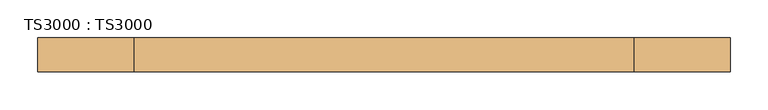
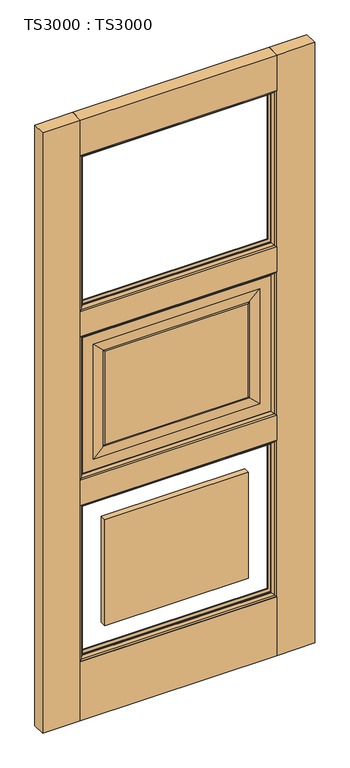
"""IFC4 building model written with IfcOpenShell, lengths in millimetres: door geometry, TS3000 : TS3000."""

from ifc_helpers import new_model, si_unit, frame, origin, origin_with_axes, place, context, project, spatial, polyline, ellipse_curve, outline, extrude, source, transform, mapped, element, save
from ifc_brep_helpers import plane_surface, revolved_surface, advanced_brep


def ts3000_ts3000_f5337b0c(model_context):
    return source(origin(), model_context, "Body", "SolidModel", [
        advanced_brep(
        [(787.4, 12.7, 1363.1333333), (787.4, 12.7, 853.0166667), (787.4, 31.75, 853.0166667), (787.4, 31.75, 1363.1333333), (127.0, 31.75, 853.0166667), (127.0, 31.75, 1363.1333333), (736.6, 31.75, 903.8166667), (736.6, 31.75, 1312.3333333), (177.8, 31.75, 1312.3333333), (177.8, 31.75, 903.8166667), (127.0, 12.7, 853.0166667), (127.0, 12.7, 1363.1333333), (736.6, 12.7, 1312.3333333), (736.6, 12.7, 903.8166667), (177.8, 12.7, 903.8166667), (177.8, 12.7, 1312.3333333), (698.5, 33.3375, 1274.2333333), (698.5, 33.3375, 941.9166667), (698.5, 11.1125, 941.9166667), (698.5, 11.1125, 1274.2333333), (703.2625, 13.49375, 937.1541667), (703.2625, 13.49375, 1278.9958333), (215.9, 33.3375, 941.9166667), (215.9, 11.1125, 941.9166667), (703.2625, 30.95625, 1278.9958333), (703.2625, 30.95625, 937.1541667), (211.1375, 13.49375, 937.1541667), (215.9, 33.3375, 1274.2333333), (215.9, 11.1125, 1274.2333333), (211.1375, 30.95625, 937.1541667), (211.1375, 13.49375, 1278.9958333), (211.1375, 30.95625, 1278.9958333)],
        [
            (0, 1),
            (1, 2),
            (2, 3),
            (3, 0),
            (2, 4),
            (4, 5),
            (5, 3),
            (6, 7),
            (7, 8),
            (8, 9),
            (9, 6),
            (1, 10),
            (10, 4),
            (0, 11),
            (11, 10),
            (12, 13),
            (13, 14),
            (14, 15),
            (15, 12),
            (16, 17),
            (17, 18),
            (18, 19),
            (19, 16),
            (18, 20, ellipse_curve(frame((703.7585938, 6.5484375, 936.6580729), z_axis=(-0.7071067811865475, 0.0, -0.7071067811865475), x_axis=(0.7071067811865474, 0.0, -0.7071067811865476)), 9.8471798, 6.9630076)),
            (20, 21),
            (21, 19, ellipse_curve(frame((703.7585938, 6.5484375, 1279.4919271), z_axis=(-0.7071067811865475, 0.0, 0.7071067811865475), x_axis=(-0.7071067811865474, 0.0, -0.7071067811865476)), 9.8471798, 6.9630076)),
            (17, 22),
            (22, 23),
            (23, 18),
            (24, 25),
            (25, 17, ellipse_curve(frame((703.7585938, 37.9015625, 936.6580729), z_axis=(-0.7071067811865475, 0.0, -0.7071067811865475), x_axis=(0.7071067811865474, 0.0, -0.7071067811865476)), 9.8471798, 6.9630076)),
            (16, 24, ellipse_curve(frame((703.7585938, 37.9015625, 1279.4919271), z_axis=(-0.7071067811865475, 0.0, 0.7071067811865475), x_axis=(-0.7071067811865474, 0.0, -0.7071067811865476)), 9.8471798, 6.9630076)),
            (11, 5),
            (23, 26, ellipse_curve(frame((210.6414063, 6.5484375, 936.6580729), z_axis=(-0.7071067811865475, 0.0, 0.7071067811865475), x_axis=(-0.7071067811865476, 0.0, -0.7071067811865474)), 9.8471798, 6.9630076)),
            (26, 20),
            (22, 27),
            (27, 28),
            (28, 23),
            (25, 29),
            (29, 22, ellipse_curve(frame((210.6414063, 37.9015625, 936.6580729), z_axis=(-0.7071067811865475, 0.0, 0.7071067811865475), x_axis=(-0.7071067811865476, 0.0, -0.7071067811865474)), 9.8471798, 6.9630076)),
            (28, 30, ellipse_curve(frame((210.6414063, 6.5484375, 1279.4919271), z_axis=(0.7071067811865475, 0.0, 0.7071067811865475), x_axis=(-0.7071067811865474, 0.0, 0.7071067811865476)), 9.8471798, 6.9630076)),
            (30, 26),
            (29, 31),
            (31, 27, ellipse_curve(frame((210.6414063, 37.9015625, 1279.4919271), z_axis=(0.7071067811865475, 0.0, 0.7071067811865475), x_axis=(-0.7071067811865474, 0.0, 0.7071067811865476)), 9.8471798, 6.9630076)),
            (9, 29),
            (25, 6),
            (8, 31),
            (24, 7),
            (30, 15),
            (14, 26),
            (13, 20),
            (12, 21),
            (27, 16),
            (19, 28),
            (24, 31),
            (30, 21),
        ],
        [
            plane_surface(frame((787.4, 31.75, 1363.1333333), z_axis=(1.0, 0.0, 0.0), x_axis=(0.0, 0.0, -1.0))),
            plane_surface(frame((177.8, 31.75, 1312.3333333), z_axis=(0.0, 1.0, 0.0), x_axis=(1.0, 0.0, 0.0))),
            plane_surface(frame((787.4, 31.75, 853.0166667), z_axis=(0.0, 0.0, -1.0), x_axis=(-1.0, 0.0, 0.0))),
            plane_surface(frame((127.0, 12.7, 1363.1333333), z_axis=(0.0, -1.0, 0.0), x_axis=(1.0, 0.0, 0.0))),
            plane_surface(frame((698.5, 11.1125, 1274.2333333), z_axis=(-1.0, 0.0, 0.0), x_axis=(0.0, 0.0, -1.0))),
            revolved_surface(polyline([(696.7955862, 6.5484375, 929.6950652878568), (696.7955862, 6.5484375, 1286.4549347121433)]), (703.7585938, 6.5484375, 1274.2333333), (0.0, 0.0, -1.0)),
            plane_surface(frame((698.5, 11.1125, 941.9166667), z_axis=(0.0, 0.0, 1.0), x_axis=(-1.0, 0.0, 0.0))),
            revolved_surface(polyline([(696.7955862, 37.9015625, 929.6950652878568), (696.7955862, 37.9015625, 1286.4549347121433)]), (703.7585938, 37.9015625, 1274.2333333), (0.0, 0.0, -1.0)),
            plane_surface(frame((127.0, 31.75, 853.0166667), z_axis=(-1.0, 0.0, 0.0), x_axis=(0.0, 0.0, 1.0))),
            revolved_surface(polyline([(203.67839868785677, 6.5484375, 943.6210805), (710.7216014121432, 6.5484375, 943.6210805)]), (698.5, 6.5484375, 936.6580729), (-1.0, 0.0, 0.0)),
            plane_surface(frame((215.9, 11.1125, 941.9166667), z_axis=(1.0, 0.0, 0.0), x_axis=(0.0, 0.0, 1.0))),
            revolved_surface(polyline([(203.67839868785677, 37.9015625, 943.6210805), (710.7216014121432, 37.9015625, 943.6210805)]), (698.5, 37.9015625, 936.6580729), (-1.0, 0.0, 0.0)),
            revolved_surface(polyline([(217.6044139, 6.5484375, 1286.4549347121433), (217.6044139, 6.5484375, 929.6950652878568)]), (210.6414063, 6.5484375, 941.9166667), (0.0, 0.0, 1.0)),
            revolved_surface(polyline([(217.6044139, 37.9015625, 1286.4549347121433), (217.6044139, 37.9015625, 929.6950652878568)]), (210.6414063, 37.9015625, 941.9166667), (0.0, 0.0, 1.0)),
            plane_surface(frame((703.2625, 30.95625, 937.1541667), z_axis=(0.0, 0.9997166737441345, 0.023802777946362628), x_axis=(-1.0, 0.0, 0.0))),
            plane_surface(frame((211.1375, 30.95625, 937.1541667), z_axis=(0.023802777946359394, 0.9997166737441346, 0.0), x_axis=(0.0, 0.0, 1.0))),
            plane_surface(frame((703.2625, 30.95625, 1278.9958333), z_axis=(-0.02380277794636586, 0.9997166737441344, 0.0), x_axis=(0.0, 0.0, -1.0))),
            plane_surface(frame((177.8, 12.7, 903.8166667), z_axis=(0.023802777946303297, -0.9997166737441359, 0.0), x_axis=(0.0, 0.0, 1.0))),
            plane_surface(frame((736.6, 12.7, 903.8166667), z_axis=(0.0, -0.999716673744136, 0.023802777946300063), x_axis=(-1.0, 0.0, 0.0))),
            plane_surface(frame((736.6, 12.7, 1312.3333333), z_axis=(-0.02380277794629683, -0.9997166737441361, 0.0), x_axis=(0.0, 0.0, -1.0))),
            plane_surface(frame((127.0, 31.75, 1363.1333333), z_axis=(0.0, 0.0, 1.0), x_axis=(1.0, 0.0, 0.0))),
            plane_surface(frame((215.9, 11.1125, 1274.2333333), z_axis=(0.0, 0.0, -1.0), x_axis=(1.0, 0.0, 0.0))),
            plane_surface(frame((211.1375, 30.95625, 1278.9958333), z_axis=(0.0, 0.9997166737441345, -0.023802777946362628), x_axis=(1.0, 0.0, 0.0))),
            plane_surface(frame((177.8, 12.7, 1312.3333333), z_axis=(0.0, -0.999716673744136, -0.023802777946300063), x_axis=(1.0, 0.0, 0.0))),
            revolved_surface(polyline([(710.7216014121432, 6.5484375, 1272.5289195), (203.6783986878568, 6.5484375, 1272.5289195)]), (215.9, 6.5484375, 1279.4919271), (1.0, 0.0, 0.0)),
            revolved_surface(polyline([(710.7216014121432, 37.9015625, 1272.5289195), (203.6783986878568, 37.9015625, 1272.5289195)]), (215.9, 37.9015625, 1279.4919271), (1.0, 0.0, 0.0)),
        ],
        [
            (0, [[1, 2, 3, 4]]),
            (1, [[-3, 5, 6, 7], [8, 9, 10, 11]]),
            (2, [[12, 13, -5, -2]]),
            (3, [[-1, 14, 15, -12], [16, 17, 18, 19]]),
            (4, [[20, 21, 22, 23]]),
            (5, [[-22, 24, 25, 26]]),
            (6, [[27, 28, 29, -21]]),
            (7, [[30, 31, -20, 32]]),
            (8, [[-15, 33, -6, -13]]),
            (9, [[-29, 34, 35, -24]]),
            (10, [[36, 37, 38, -28]]),
            (11, [[39, 40, -27, -31]]),
            (12, [[-38, 41, 42, -34]]),
            (13, [[43, 44, -36, -40]]),
            (14, [[-11, 45, -39, 46]]),
            (15, [[-10, 47, -43, -45]]),
            (16, [[-8, -46, -30, 48]]),
            (17, [[-42, 49, -18, 50]]),
            (18, [[-35, -50, -17, 51]]),
            (19, [[-25, -51, -16, 52]]),
            (20, [[-14, -4, -7, -33]]),
            (21, [[53, -23, 54, -37]]),
            (22, [[-9, -48, 55, -47]]),
            (23, [[56, -52, -19, -49]]),
            (24, [[-54, -26, -56, -41]]),
            (25, [[-55, -32, -53, -44]]),
        ],
    ),
        extrude(outline(polyline([(787.4, 44.45), (787.4, 0.0), (127.0, 0.0), (127.0, 44.45), (787.4, 44.45)])), origin_with_axes(), (0.0, 0.0, 1.0), 209.55),
        extrude(outline(polyline([(787.4, 44.45), (787.4, 0.0), (127.0, 0.0), (127.0, 44.45), (787.4, 44.45)])), frame((0.0, 0.0, 764.1166667), z_axis=(0.0, 0.0, 1.0), x_axis=(1.0, 0.0, 0.0)), (0.0, 0.0, 1.0), 88.9),
        extrude(outline(polyline([(787.4, 44.45), (787.4, 0.0), (127.0, 0.0), (127.0, 44.45), (787.4, 44.45)])), frame((0.0, 0.0, 2006.6), z_axis=(0.0, 0.0, 1.0), x_axis=(1.0, 0.0, 0.0)), (0.0, 0.0, 1.0), 127.0),
        extrude(outline(polyline([(787.4, 44.45), (787.4, 0.0), (127.0, 0.0), (127.0, 44.45), (787.4, 44.45)])), frame((0.0, 0.0, 1363.1333333), z_axis=(0.0, 0.0, 1.0), x_axis=(1.0, 0.0, 0.0)), (0.0, 0.0, 1.0), 88.9),
        extrude(outline(polyline([(215.9, 11.1125), (215.9, 33.3375), (698.5, 33.3375), (698.5, 11.1125), (215.9, 11.1125)])), frame((0.0, 0.0, 941.9166667), z_axis=(0.0, 0.0, 1.0), x_axis=(1.0, 0.0, 0.0)), (0.0, 0.0, 1.0), 332.3166667),
        extrude(outline(polyline([(215.9, 11.1125), (215.9, 33.3375), (698.5, 33.3375), (698.5, 11.1125), (215.9, 11.1125)])), frame((0.0, 0.0, 298.45), z_axis=(0.0, 0.0, 1.0), x_axis=(1.0, 0.0, 0.0)), (0.0, 0.0, 1.0), 376.7666667),
        extrude(outline(polyline([(127.0, 44.45), (127.0, 0.0), (0.0, 0.0), (0.0, 44.45), (127.0, 44.45)])), origin_with_axes(), (0.0, 0.0, 1.0), 2133.6),
        extrude(outline(polyline([(914.4, 44.45), (914.4, 0.0), (787.4, 0.0), (787.4, 44.45), (914.4, 44.45)])), origin_with_axes(), (0.0, 0.0, 1.0), 2133.6),
        advanced_brep(
        [(787.4, 31.75, 764.1166667), (787.4, 31.75, 209.55), (787.4, 44.4610047, 209.55), (787.4, 44.4610047, 764.1166667), (774.6912454, 34.925, 751.407912), (774.6912454, 34.925, 222.2587546), (774.6912454, 31.75, 222.2587546), (774.6912454, 31.75, 751.407912), (782.5328423, 41.275, 759.249509), (782.5328423, 41.275, 214.4171577), (127.0, 31.75, 209.55), (127.0, 44.4610047, 209.55), (139.7087546, 34.925, 222.2587546), (139.7087546, 31.75, 222.2587546), (131.8671577, 41.275, 214.4171577), (127.0, 31.75, 764.1166667), (127.0, 44.4610047, 764.1166667), (139.7087546, 34.925, 751.407912), (139.7087546, 31.75, 751.407912), (131.8671577, 41.275, 759.249509)],
        [
            (0, 1),
            (1, 2),
            (2, 3),
            (3, 0),
            (4, 5),
            (5, 6),
            (6, 7),
            (7, 4),
            (8, 9),
            (9, 5, ellipse_curve(frame((770.549739, 48.0561173, 226.400261), z_axis=(-0.7071067811865475, 0.0, -0.7071067811865475), x_axis=(0.7071067811865474, 0.0, -0.7071067811865476)), 19.4719447, 13.7687442)),
            (4, 8, ellipse_curve(frame((770.549739, 48.0561173, 747.2664057), z_axis=(-0.7071067811865475, 0.0, 0.7071067811865475), x_axis=(-0.7071067811865474, 0.0, -0.7071067811865476)), 19.4719447, 13.7687442)),
            (2, 9, ellipse_curve(frame((779.4613821, 51.2778746, 217.4886179), z_axis=(-0.7071067811865475, 0.0, -0.7071067811865475), x_axis=(0.7071067811865474, 0.0, -0.7071067811865476)), 14.7980653, 10.4638123)),
            (8, 3, ellipse_curve(frame((779.4613821, 51.2778746, 756.1780488), z_axis=(-0.7071067811865475, 0.0, 0.7071067811865475), x_axis=(-0.7071067811865474, 0.0, -0.7071067811865476)), 14.7980653, 10.4638123)),
            (1, 10),
            (10, 11),
            (11, 2),
            (5, 12),
            (12, 13),
            (13, 6),
            (9, 14),
            (14, 12, ellipse_curve(frame((143.850261, 48.0561173, 226.400261), z_axis=(-0.7071067811865475, 0.0, 0.7071067811865475), x_axis=(-0.7071067811865476, 0.0, -0.7071067811865474)), 19.4719447, 13.7687442)),
            (11, 14, ellipse_curve(frame((134.9386179, 51.2778746, 217.4886179), z_axis=(-0.7071067811865475, 0.0, 0.7071067811865475), x_axis=(-0.7071067811865476, 0.0, -0.7071067811865474)), 14.7980653, 10.4638123)),
            (10, 15),
            (15, 16),
            (16, 11),
            (12, 17),
            (17, 18),
            (18, 13),
            (14, 19),
            (19, 17, ellipse_curve(frame((143.850261, 48.0561173, 747.2664057), z_axis=(0.7071067811865475, 0.0, 0.7071067811865475), x_axis=(-0.7071067811865474, 0.0, 0.7071067811865476)), 19.4719447, 13.7687442)),
            (16, 19, ellipse_curve(frame((134.9386179, 51.2778746, 756.1780488), z_axis=(0.7071067811865475, 0.0, 0.7071067811865475), x_axis=(-0.7071067811865474, 0.0, 0.7071067811865476)), 14.7980653, 10.4638123)),
            (15, 0),
            (3, 16),
            (18, 7),
            (17, 4),
            (19, 8),
        ],
        [
            plane_surface(frame((787.4, 44.4610047, 764.1166667), z_axis=(1.0, 0.0, 0.0), x_axis=(0.0, 0.0, -1.0))),
            plane_surface(frame((774.6912454, 31.75, 751.407912), z_axis=(-1.0, 0.0, 0.0), x_axis=(0.0, 0.0, -1.0))),
            revolved_surface(polyline([(756.7809948, 48.0561173, 212.6315168597406), (756.7809948, 48.0561173, 761.0351498402594)]), (770.549739, 48.0561173, 764.1166667), (0.0, 0.0, -1.0)),
            revolved_surface(polyline([(768.9975698000001, 51.2778746, 207.02480557792865), (768.9975698000001, 51.2778746, 766.6418611220714)]), (779.4613821, 51.2778746, 764.1166667), (0.0, 0.0, -1.0)),
            plane_surface(frame((787.4, 44.4610047, 209.55), z_axis=(0.0, 0.0, -1.0), x_axis=(-1.0, 0.0, 0.0))),
            plane_surface(frame((774.6912454, 31.75, 222.2587546), z_axis=(0.0, 0.0, 1.0), x_axis=(-1.0, 0.0, 0.0))),
            revolved_surface(polyline([(130.08151685974053, 48.0561173, 240.16900520000002), (784.3184831402594, 48.0561173, 240.16900520000002)]), (787.4, 48.0561173, 226.400261), (-1.0, 0.0, 0.0)),
            revolved_surface(polyline([(124.47480557792858, 51.2778746, 227.9524302), (789.9251944220714, 51.2778746, 227.9524302)]), (787.4, 51.2778746, 217.4886179), (-1.0, 0.0, 0.0)),
            plane_surface(frame((127.0, 44.4610047, 209.55), z_axis=(-1.0, 0.0, 0.0), x_axis=(0.0, 0.0, 1.0))),
            plane_surface(frame((139.7087546, 31.75, 222.2587546), z_axis=(1.0, 0.0, 0.0), x_axis=(0.0, 0.0, 1.0))),
            revolved_surface(polyline([(157.6190052, 48.0561173, 761.0351498402595), (157.6190052, 48.0561173, 212.63151685974054)]), (143.850261, 48.0561173, 209.55), (0.0, 0.0, 1.0)),
            revolved_surface(polyline([(145.4024302, 51.2778746, 766.6418611220713), (145.4024302, 51.2778746, 207.02480557792867)]), (134.9386179, 51.2778746, 209.55), (0.0, 0.0, 1.0)),
            plane_surface(frame((127.0, 44.4610047, 764.1166667), z_axis=(0.0, 0.0, 1.0), x_axis=(1.0, 0.0, 0.0))),
            plane_surface(frame((127.0, 31.75, 764.1166667), z_axis=(0.0, -1.0, 0.0), x_axis=(1.0, 0.0, 0.0))),
            plane_surface(frame((139.7087546, 31.75, 751.407912), z_axis=(0.0, 0.0, -1.0), x_axis=(1.0, 0.0, 0.0))),
            revolved_surface(polyline([(784.3184831402594, 48.0561173, 733.4976614999999), (130.08151685974053, 48.0561173, 733.4976614999999)]), (127.0, 48.0561173, 747.2664057), (1.0, 0.0, 0.0)),
            revolved_surface(polyline([(789.9251944220714, 51.2778746, 745.7142365000001), (124.47480557792866, 51.2778746, 745.7142365000001)]), (127.0, 51.2778746, 756.1780488), (1.0, 0.0, 0.0)),
        ],
        [
            (0, [[1, 2, 3, 4]]),
            (1, [[5, 6, 7, 8]]),
            (2, [[9, 10, -5, 11]]),
            (3, [[-3, 12, -9, 13]]),
            (4, [[14, 15, 16, -2]]),
            (5, [[17, 18, 19, -6]]),
            (6, [[20, 21, -17, -10]]),
            (7, [[-16, 22, -20, -12]]),
            (8, [[23, 24, 25, -15]]),
            (9, [[26, 27, 28, -18]]),
            (10, [[29, 30, -26, -21]]),
            (11, [[-25, 31, -29, -22]]),
            (12, [[32, -4, 33, -24]]),
            (13, [[-1, -32, -23, -14], [-7, -19, -28, 34]]),
            (14, [[35, -8, -34, -27]]),
            (15, [[36, -11, -35, -30]]),
            (16, [[-33, -13, -36, -31]]),
        ],
    ),
        advanced_brep(
        [(782.5328423, 3.175, 759.249509), (782.5328423, 3.175, 214.4171577), (787.4, -0.0110047, 209.55), (787.4, -0.0110047, 764.1166667), (774.6912454, 9.525, 751.407912), (774.6912454, 9.525, 222.2587546), (774.6912454, 12.7, 751.407912), (774.6912454, 12.7, 222.2587546), (787.4, 12.7, 209.55), (787.4, 12.7, 764.1166667), (131.8671577, 3.175, 214.4171577), (127.0, -0.0110047, 209.55), (139.7087546, 9.525, 222.2587546), (139.7087546, 12.7, 222.2587546), (127.0, 12.7, 209.55), (131.8671577, 3.175, 759.249509), (127.0, -0.0110047, 764.1166667), (139.7087546, 9.525, 751.407912), (139.7087546, 12.7, 751.407912), (127.0, 12.7, 764.1166667)],
        [
            (0, 1),
            (1, 2, ellipse_curve(frame((779.4613821, -6.8278746, 217.4886179), z_axis=(-0.7071067811865475, 0.0, -0.7071067811865475), x_axis=(0.7071067811865474, 0.0, -0.7071067811865476)), 14.7980653, 10.4638123)),
            (2, 3),
            (3, 0, ellipse_curve(frame((779.4613821, -6.8278746, 756.1780488), z_axis=(-0.7071067811865475, 0.0, 0.7071067811865475), x_axis=(-0.7071067811865474, 0.0, -0.7071067811865476)), 14.7980653, 10.4638123)),
            (4, 5),
            (5, 1, ellipse_curve(frame((770.549739, -3.6061173, 226.400261), z_axis=(-0.7071067811865475, 0.0, -0.7071067811865475), x_axis=(0.7071067811865474, 0.0, -0.7071067811865476)), 19.4719447, 13.7687442)),
            (0, 4, ellipse_curve(frame((770.549739, -3.6061173, 747.2664057), z_axis=(-0.7071067811865475, 0.0, 0.7071067811865475), x_axis=(-0.7071067811865474, 0.0, -0.7071067811865476)), 19.4719447, 13.7687442)),
            (6, 7),
            (7, 5),
            (4, 6),
            (2, 8),
            (8, 9),
            (9, 3),
            (1, 10),
            (10, 11, ellipse_curve(frame((134.9386179, -6.8278746, 217.4886179), z_axis=(-0.7071067811865475, 0.0, 0.7071067811865475), x_axis=(-0.7071067811865476, 0.0, -0.7071067811865474)), 14.7980653, 10.4638123)),
            (11, 2),
            (5, 12),
            (12, 10, ellipse_curve(frame((143.850261, -3.6061173, 226.400261), z_axis=(-0.7071067811865475, 0.0, 0.7071067811865475), x_axis=(-0.7071067811865476, 0.0, -0.7071067811865474)), 19.4719447, 13.7687442)),
            (7, 13),
            (13, 12),
            (11, 14),
            (14, 8),
            (10, 15),
            (15, 16, ellipse_curve(frame((134.9386179, -6.8278746, 756.1780488), z_axis=(0.7071067811865475, 0.0, 0.7071067811865475), x_axis=(-0.7071067811865474, 0.0, 0.7071067811865476)), 14.7980653, 10.4638123)),
            (16, 11),
            (12, 17),
            (17, 15, ellipse_curve(frame((143.850261, -3.6061173, 747.2664057), z_axis=(0.7071067811865475, 0.0, 0.7071067811865475), x_axis=(-0.7071067811865474, 0.0, 0.7071067811865476)), 19.4719447, 13.7687442)),
            (13, 18),
            (18, 17),
            (16, 19),
            (19, 14),
            (15, 0),
            (3, 16),
            (17, 4),
            (18, 6),
            (19, 9),
        ],
        [
            revolved_surface(polyline([(768.9975698000001, -6.8278746, 207.02480557792865), (768.9975698000001, -6.8278746, 766.6418611220714)]), (779.4613821, -6.8278746, 764.1166667), (0.0, 0.0, -1.0)),
            revolved_surface(polyline([(756.7809948, -3.6061173, 212.6315168597406), (756.7809948, -3.6061173, 761.0351498402594)]), (770.549739, -3.6061173, 764.1166667), (0.0, 0.0, -1.0)),
            plane_surface(frame((774.6912454, 9.525, 751.407912), z_axis=(-1.0, 0.0, 0.0), x_axis=(0.0, 0.0, -1.0))),
            plane_surface(frame((787.4, 12.7, 764.1166667), z_axis=(1.0, 0.0, 0.0), x_axis=(0.0, 0.0, -1.0))),
            revolved_surface(polyline([(124.47480557792858, -6.8278746, 227.9524302), (789.9251944220714, -6.8278746, 227.9524302)]), (787.4, -6.8278746, 217.4886179), (-1.0, 0.0, 0.0)),
            revolved_surface(polyline([(130.08151685974053, -3.6061173, 240.16900520000002), (784.3184831402594, -3.6061173, 240.16900520000002)]), (787.4, -3.6061173, 226.400261), (-1.0, 0.0, 0.0)),
            plane_surface(frame((774.6912454, 9.525, 222.2587546), z_axis=(0.0, 0.0, 1.0), x_axis=(-1.0, 0.0, 0.0))),
            plane_surface(frame((787.4, 12.7, 209.55), z_axis=(0.0, 0.0, -1.0), x_axis=(-1.0, 0.0, 0.0))),
            revolved_surface(polyline([(145.4024302, -6.8278746, 766.6418611220713), (145.4024302, -6.8278746, 207.02480557792867)]), (134.9386179, -6.8278746, 209.55), (0.0, 0.0, 1.0)),
            revolved_surface(polyline([(157.6190052, -3.6061173, 761.0351498402595), (157.6190052, -3.6061173, 212.63151685974054)]), (143.850261, -3.6061173, 209.55), (0.0, 0.0, 1.0)),
            plane_surface(frame((139.7087546, 9.525, 222.2587546), z_axis=(1.0, 0.0, 0.0), x_axis=(0.0, 0.0, 1.0))),
            plane_surface(frame((127.0, 12.7, 209.55), z_axis=(-1.0, 0.0, 0.0), x_axis=(0.0, 0.0, 1.0))),
            revolved_surface(polyline([(789.9251944220714, -6.8278746, 745.7142365000001), (124.47480557792866, -6.8278746, 745.7142365000001)]), (127.0, -6.8278746, 756.1780488), (1.0, 0.0, 0.0)),
            revolved_surface(polyline([(784.3184831402594, -3.6061173, 733.4976614999999), (130.08151685974053, -3.6061173, 733.4976614999999)]), (127.0, -3.6061173, 747.2664057), (1.0, 0.0, 0.0)),
            plane_surface(frame((139.7087546, 9.525, 751.407912), z_axis=(0.0, 0.0, -1.0), x_axis=(1.0, 0.0, 0.0))),
            plane_surface(frame((139.7087546, 12.7, 751.407912), z_axis=(0.0, 1.0, 0.0), x_axis=(1.0, 0.0, 0.0))),
            plane_surface(frame((127.0, 12.7, 764.1166667), z_axis=(0.0, 0.0, 1.0), x_axis=(1.0, 0.0, 0.0))),
        ],
        [
            (0, [[1, 2, 3, 4]]),
            (1, [[5, 6, -1, 7]]),
            (2, [[8, 9, -5, 10]]),
            (3, [[-3, 11, 12, 13]]),
            (4, [[14, 15, 16, -2]]),
            (5, [[17, 18, -14, -6]]),
            (6, [[19, 20, -17, -9]]),
            (7, [[-16, 21, 22, -11]]),
            (8, [[23, 24, 25, -15]]),
            (9, [[26, 27, -23, -18]]),
            (10, [[28, 29, -26, -20]]),
            (11, [[-25, 30, 31, -21]]),
            (12, [[32, -4, 33, -24]]),
            (13, [[34, -7, -32, -27]]),
            (14, [[35, -10, -34, -29]]),
            (15, [[-12, -22, -31, 36], [-8, -35, -28, -19]]),
            (16, [[-33, -13, -36, -30]]),
        ],
    ),
        advanced_brep(
        [(787.4, 31.75, 1363.1333333), (787.4, 31.75, 853.0166667), (787.4, 44.4610047, 853.0166667), (787.4, 44.4610047, 1363.1333333), (774.6912454, 34.925, 1350.4245787), (774.6912454, 34.925, 865.7254213), (774.6912454, 31.75, 865.7254213), (774.6912454, 31.75, 1350.4245787), (782.5328423, 41.275, 1358.2661757), (782.5328423, 41.275, 857.8838243), (127.0, 31.75, 853.0166667), (127.0, 44.4610047, 853.0166667), (139.7087546, 34.925, 865.7254213), (139.7087546, 31.75, 865.7254213), (131.8671577, 41.275, 857.8838243), (127.0, 31.75, 1363.1333333), (127.0, 44.4610047, 1363.1333333), (139.7087546, 34.925, 1350.4245787), (139.7087546, 31.75, 1350.4245787), (131.8671577, 41.275, 1358.2661757)],
        [
            (0, 1),
            (1, 2),
            (2, 3),
            (3, 0),
            (4, 5),
            (5, 6),
            (6, 7),
            (7, 4),
            (8, 9),
            (9, 5, ellipse_curve(frame((770.549739, 48.0561173, 869.8669276), z_axis=(-0.7071067811865475, 0.0, -0.7071067811865475), x_axis=(0.7071067811865474, 0.0, -0.7071067811865476)), 19.4719447, 13.7687442)),
            (4, 8, ellipse_curve(frame((770.549739, 48.0561173, 1346.2830724), z_axis=(-0.7071067811865475, 0.0, 0.7071067811865475), x_axis=(-0.7071067811865474, 0.0, -0.7071067811865476)), 19.4719447, 13.7687442)),
            (2, 9, ellipse_curve(frame((779.4613821, 51.2778746, 860.9552845), z_axis=(-0.7071067811865475, 0.0, -0.7071067811865475), x_axis=(0.7071067811865474, 0.0, -0.7071067811865476)), 14.7980653, 10.4638123)),
            (8, 3, ellipse_curve(frame((779.4613821, 51.2778746, 1355.1947155), z_axis=(-0.7071067811865475, 0.0, 0.7071067811865475), x_axis=(-0.7071067811865474, 0.0, -0.7071067811865476)), 14.7980653, 10.4638123)),
            (1, 10),
            (10, 11),
            (11, 2),
            (5, 12),
            (12, 13),
            (13, 6),
            (9, 14),
            (14, 12, ellipse_curve(frame((143.850261, 48.0561173, 869.8669276), z_axis=(-0.7071067811865475, 0.0, 0.7071067811865475), x_axis=(-0.7071067811865476, 0.0, -0.7071067811865474)), 19.4719447, 13.7687442)),
            (11, 14, ellipse_curve(frame((134.9386179, 51.2778746, 860.9552845), z_axis=(-0.7071067811865475, 0.0, 0.7071067811865475), x_axis=(-0.7071067811865476, 0.0, -0.7071067811865474)), 14.7980653, 10.4638123)),
            (10, 15),
            (15, 16),
            (16, 11),
            (12, 17),
            (17, 18),
            (18, 13),
            (14, 19),
            (19, 17, ellipse_curve(frame((143.850261, 48.0561173, 1346.2830724), z_axis=(0.7071067811865475, 0.0, 0.7071067811865475), x_axis=(-0.7071067811865474, 0.0, 0.7071067811865476)), 19.4719447, 13.7687442)),
            (16, 19, ellipse_curve(frame((134.9386179, 51.2778746, 1355.1947155), z_axis=(0.7071067811865475, 0.0, 0.7071067811865475), x_axis=(-0.7071067811865474, 0.0, 0.7071067811865476)), 14.7980653, 10.4638123)),
            (15, 0),
            (3, 16),
            (18, 7),
            (17, 4),
            (19, 8),
        ],
        [
            plane_surface(frame((787.4, 44.4610047, 1363.1333333), z_axis=(1.0, 0.0, 0.0), x_axis=(0.0, 0.0, -1.0))),
            plane_surface(frame((774.6912454, 31.75, 1350.4245787), z_axis=(-1.0, 0.0, 0.0), x_axis=(0.0, 0.0, -1.0))),
            revolved_surface(polyline([(756.7809948, 48.0561173, 856.0981834597405), (756.7809948, 48.0561173, 1360.0518165402596)]), (770.549739, 48.0561173, 1363.1333333), (0.0, 0.0, -1.0)),
            revolved_surface(polyline([(768.9975698000001, 51.2778746, 850.4914721779286), (768.9975698000001, 51.2778746, 1365.6585278220714)]), (779.4613821, 51.2778746, 1363.1333333), (0.0, 0.0, -1.0)),
            plane_surface(frame((787.4, 44.4610047, 853.0166667), z_axis=(0.0, 0.0, -1.0), x_axis=(-1.0, 0.0, 0.0))),
            plane_surface(frame((774.6912454, 31.75, 865.7254213), z_axis=(0.0, 0.0, 1.0), x_axis=(-1.0, 0.0, 0.0))),
            revolved_surface(polyline([(130.08151685974053, 48.0561173, 883.6356718000001), (784.3184831402594, 48.0561173, 883.6356718000001)]), (787.4, 48.0561173, 869.8669276), (-1.0, 0.0, 0.0)),
            revolved_surface(polyline([(124.47480557792858, 51.2778746, 871.4190967999999), (789.9251944220714, 51.2778746, 871.4190967999999)]), (787.4, 51.2778746, 860.9552845), (-1.0, 0.0, 0.0)),
            plane_surface(frame((127.0, 44.4610047, 853.0166667), z_axis=(-1.0, 0.0, 0.0), x_axis=(0.0, 0.0, 1.0))),
            plane_surface(frame((139.7087546, 31.75, 865.7254213), z_axis=(1.0, 0.0, 0.0), x_axis=(0.0, 0.0, 1.0))),
            revolved_surface(polyline([(157.6190052, 48.0561173, 1360.0518165402596), (157.6190052, 48.0561173, 856.0981834597407)]), (143.850261, 48.0561173, 853.0166667), (0.0, 0.0, 1.0)),
            revolved_surface(polyline([(145.4024302, 51.2778746, 1365.6585278220714), (145.4024302, 51.2778746, 850.4914721779286)]), (134.9386179, 51.2778746, 853.0166667), (0.0, 0.0, 1.0)),
            plane_surface(frame((127.0, 44.4610047, 1363.1333333), z_axis=(0.0, 0.0, 1.0), x_axis=(1.0, 0.0, 0.0))),
            plane_surface(frame((127.0, 31.75, 1363.1333333), z_axis=(0.0, -1.0, 0.0), x_axis=(1.0, 0.0, 0.0))),
            plane_surface(frame((139.7087546, 31.75, 1350.4245787), z_axis=(0.0, 0.0, -1.0), x_axis=(1.0, 0.0, 0.0))),
            revolved_surface(polyline([(784.3184831402594, 48.0561173, 1332.5143282000001), (130.08151685974053, 48.0561173, 1332.5143282000001)]), (127.0, 48.0561173, 1346.2830724), (1.0, 0.0, 0.0)),
            revolved_surface(polyline([(789.9251944220714, 51.2778746, 1344.7309032), (124.47480557792866, 51.2778746, 1344.7309032)]), (127.0, 51.2778746, 1355.1947155), (1.0, 0.0, 0.0)),
        ],
        [
            (0, [[1, 2, 3, 4]]),
            (1, [[5, 6, 7, 8]]),
            (2, [[9, 10, -5, 11]]),
            (3, [[-3, 12, -9, 13]]),
            (4, [[14, 15, 16, -2]]),
            (5, [[17, 18, 19, -6]]),
            (6, [[20, 21, -17, -10]]),
            (7, [[-16, 22, -20, -12]]),
            (8, [[23, 24, 25, -15]]),
            (9, [[26, 27, 28, -18]]),
            (10, [[29, 30, -26, -21]]),
            (11, [[-25, 31, -29, -22]]),
            (12, [[32, -4, 33, -24]]),
            (13, [[-1, -32, -23, -14], [-7, -19, -28, 34]]),
            (14, [[35, -8, -34, -27]]),
            (15, [[36, -11, -35, -30]]),
            (16, [[-33, -13, -36, -31]]),
        ],
    ),
        advanced_brep(
        [(782.5328423, 3.175, 1358.2661757), (782.5328423, 3.175, 857.8838243), (787.4, -0.0110047, 853.0166667), (787.4, -0.0110047, 1363.1333333), (774.6912454, 9.525, 1350.4245787), (774.6912454, 9.525, 865.7254213), (774.6912454, 12.7, 1350.4245787), (774.6912454, 12.7, 865.7254213), (787.4, 12.7, 853.0166667), (787.4, 12.7, 1363.1333333), (131.8671577, 3.175, 857.8838243), (127.0, -0.0110047, 853.0166667), (139.7087546, 9.525, 865.7254213), (139.7087546, 12.7, 865.7254213), (127.0, 12.7, 853.0166667), (131.8671577, 3.175, 1358.2661757), (127.0, -0.0110047, 1363.1333333), (139.7087546, 9.525, 1350.4245787), (139.7087546, 12.7, 1350.4245787), (127.0, 12.7, 1363.1333333)],
        [
            (0, 1),
            (1, 2, ellipse_curve(frame((779.4613821, -6.8278746, 860.9552845), z_axis=(-0.7071067811865475, 0.0, -0.7071067811865475), x_axis=(0.7071067811865474, 0.0, -0.7071067811865476)), 14.7980653, 10.4638123)),
            (2, 3),
            (3, 0, ellipse_curve(frame((779.4613821, -6.8278746, 1355.1947155), z_axis=(-0.7071067811865475, 0.0, 0.7071067811865475), x_axis=(-0.7071067811865474, 0.0, -0.7071067811865476)), 14.7980653, 10.4638123)),
            (4, 5),
            (5, 1, ellipse_curve(frame((770.549739, -3.6061173, 869.8669276), z_axis=(-0.7071067811865475, 0.0, -0.7071067811865475), x_axis=(0.7071067811865474, 0.0, -0.7071067811865476)), 19.4719447, 13.7687442)),
            (0, 4, ellipse_curve(frame((770.549739, -3.6061173, 1346.2830724), z_axis=(-0.7071067811865475, 0.0, 0.7071067811865475), x_axis=(-0.7071067811865474, 0.0, -0.7071067811865476)), 19.4719447, 13.7687442)),
            (6, 7),
            (7, 5),
            (4, 6),
            (2, 8),
            (8, 9),
            (9, 3),
            (1, 10),
            (10, 11, ellipse_curve(frame((134.9386179, -6.8278746, 860.9552845), z_axis=(-0.7071067811865475, 0.0, 0.7071067811865475), x_axis=(-0.7071067811865476, 0.0, -0.7071067811865474)), 14.7980653, 10.4638123)),
            (11, 2),
            (5, 12),
            (12, 10, ellipse_curve(frame((143.850261, -3.6061173, 869.8669276), z_axis=(-0.7071067811865475, 0.0, 0.7071067811865475), x_axis=(-0.7071067811865476, 0.0, -0.7071067811865474)), 19.4719447, 13.7687442)),
            (7, 13),
            (13, 12),
            (11, 14),
            (14, 8),
            (10, 15),
            (15, 16, ellipse_curve(frame((134.9386179, -6.8278746, 1355.1947155), z_axis=(0.7071067811865475, 0.0, 0.7071067811865475), x_axis=(-0.7071067811865474, 0.0, 0.7071067811865476)), 14.7980653, 10.4638123)),
            (16, 11),
            (12, 17),
            (17, 15, ellipse_curve(frame((143.850261, -3.6061173, 1346.2830724), z_axis=(0.7071067811865475, 0.0, 0.7071067811865475), x_axis=(-0.7071067811865474, 0.0, 0.7071067811865476)), 19.4719447, 13.7687442)),
            (13, 18),
            (18, 17),
            (16, 19),
            (19, 14),
            (15, 0),
            (3, 16),
            (17, 4),
            (18, 6),
            (19, 9),
        ],
        [
            revolved_surface(polyline([(768.9975698000001, -6.8278746, 850.4914721779286), (768.9975698000001, -6.8278746, 1365.6585278220714)]), (779.4613821, -6.8278746, 1363.1333333), (0.0, 0.0, -1.0)),
            revolved_surface(polyline([(756.7809948, -3.6061173, 856.0981834597405), (756.7809948, -3.6061173, 1360.0518165402596)]), (770.549739, -3.6061173, 1363.1333333), (0.0, 0.0, -1.0)),
            plane_surface(frame((774.6912454, 9.525, 1350.4245787), z_axis=(-1.0, 0.0, 0.0), x_axis=(0.0, 0.0, -1.0))),
            plane_surface(frame((787.4, 12.7, 1363.1333333), z_axis=(1.0, 0.0, 0.0), x_axis=(0.0, 0.0, -1.0))),
            revolved_surface(polyline([(124.47480557792858, -6.8278746, 871.4190967999999), (789.9251944220714, -6.8278746, 871.4190967999999)]), (787.4, -6.8278746, 860.9552845), (-1.0, 0.0, 0.0)),
            revolved_surface(polyline([(130.08151685974053, -3.6061173, 883.6356718000001), (784.3184831402594, -3.6061173, 883.6356718000001)]), (787.4, -3.6061173, 869.8669276), (-1.0, 0.0, 0.0)),
            plane_surface(frame((774.6912454, 9.525, 865.7254213), z_axis=(0.0, 0.0, 1.0), x_axis=(-1.0, 0.0, 0.0))),
            plane_surface(frame((787.4, 12.7, 853.0166667), z_axis=(0.0, 0.0, -1.0), x_axis=(-1.0, 0.0, 0.0))),
            revolved_surface(polyline([(145.4024302, -6.8278746, 1365.6585278220714), (145.4024302, -6.8278746, 850.4914721779286)]), (134.9386179, -6.8278746, 853.0166667), (0.0, 0.0, 1.0)),
            revolved_surface(polyline([(157.6190052, -3.6061173, 1360.0518165402596), (157.6190052, -3.6061173, 856.0981834597407)]), (143.850261, -3.6061173, 853.0166667), (0.0, 0.0, 1.0)),
            plane_surface(frame((139.7087546, 9.525, 865.7254213), z_axis=(1.0, 0.0, 0.0), x_axis=(0.0, 0.0, 1.0))),
            plane_surface(frame((127.0, 12.7, 853.0166667), z_axis=(-1.0, 0.0, 0.0), x_axis=(0.0, 0.0, 1.0))),
            revolved_surface(polyline([(789.9251944220714, -6.8278746, 1344.7309032), (124.47480557792866, -6.8278746, 1344.7309032)]), (127.0, -6.8278746, 1355.1947155), (1.0, 0.0, 0.0)),
            revolved_surface(polyline([(784.3184831402594, -3.6061173, 1332.5143282000001), (130.08151685974053, -3.6061173, 1332.5143282000001)]), (127.0, -3.6061173, 1346.2830724), (1.0, 0.0, 0.0)),
            plane_surface(frame((139.7087546, 9.525, 1350.4245787), z_axis=(0.0, 0.0, -1.0), x_axis=(1.0, 0.0, 0.0))),
            plane_surface(frame((139.7087546, 12.7, 1350.4245787), z_axis=(0.0, 1.0, 0.0), x_axis=(1.0, 0.0, 0.0))),
            plane_surface(frame((127.0, 12.7, 1363.1333333), z_axis=(0.0, 0.0, 1.0), x_axis=(1.0, 0.0, 0.0))),
        ],
        [
            (0, [[1, 2, 3, 4]]),
            (1, [[5, 6, -1, 7]]),
            (2, [[8, 9, -5, 10]]),
            (3, [[-3, 11, 12, 13]]),
            (4, [[14, 15, 16, -2]]),
            (5, [[17, 18, -14, -6]]),
            (6, [[19, 20, -17, -9]]),
            (7, [[-16, 21, 22, -11]]),
            (8, [[23, 24, 25, -15]]),
            (9, [[26, 27, -23, -18]]),
            (10, [[28, 29, -26, -20]]),
            (11, [[-25, 30, 31, -21]]),
            (12, [[32, -4, 33, -24]]),
            (13, [[34, -7, -32, -27]]),
            (14, [[35, -10, -34, -29]]),
            (15, [[-12, -22, -31, 36], [-8, -35, -28, -19]]),
            (16, [[-33, -13, -36, -30]]),
        ],
    ),
        advanced_brep(
        [(787.4, 31.75, 2006.6), (787.4, 31.75, 1452.0333333), (787.4, 44.4610047, 1452.0333333), (787.4, 44.4610047, 2006.6), (774.6912454, 34.925, 1993.8912454), (774.6912454, 34.925, 1464.742088), (774.6912454, 31.75, 1464.742088), (774.6912454, 31.75, 1993.8912454), (782.5328423, 41.275, 2001.7328423), (782.5328423, 41.275, 1456.900491), (127.0, 31.75, 1452.0333333), (127.0, 44.4610047, 1452.0333333), (139.7087546, 34.925, 1464.742088), (139.7087546, 31.75, 1464.742088), (131.8671577, 41.275, 1456.900491), (127.0, 31.75, 2006.6), (127.0, 44.4610047, 2006.6), (139.7087546, 34.925, 1993.8912454), (139.7087546, 31.75, 1993.8912454), (131.8671577, 41.275, 2001.7328423)],
        [
            (0, 1),
            (1, 2),
            (2, 3),
            (3, 0),
            (4, 5),
            (5, 6),
            (6, 7),
            (7, 4),
            (8, 9),
            (9, 5, ellipse_curve(frame((771.2743353, 47.1613154, 1468.158998), z_axis=(-0.7071067811865475, 0.0, -0.7071067811865475), x_axis=(0.7071067811865474, 0.0, -0.7071067811865476)), 17.9667854, 12.7044358)),
            (4, 8, ellipse_curve(frame((771.2743353, 47.1613154, 1990.4743353), z_axis=(-0.7071067811865475, 0.0, 0.7071067811865475), x_axis=(-0.7071067811865474, 0.0, -0.7071067811865476)), 17.9667854, 12.7044358)),
            (2, 9, ellipse_curve(frame((780.1585588, 50.2128202, 1459.2747746), z_axis=(-0.7071067811865475, 0.0, -0.7071067811865475), x_axis=(0.7071067811865474, 0.0, -0.7071067811865476)), 13.0783678, 9.2478026)),
            (8, 3, ellipse_curve(frame((780.1585588, 50.2128202, 1999.3585588), z_axis=(-0.7071067811865475, 0.0, 0.7071067811865475), x_axis=(-0.7071067811865474, 0.0, -0.7071067811865476)), 13.0783678, 9.2478026)),
            (1, 10),
            (10, 11),
            (11, 2),
            (5, 12),
            (12, 13),
            (13, 6),
            (9, 14),
            (14, 12, ellipse_curve(frame((143.1256647, 47.1613154, 1468.158998), z_axis=(-0.7071067811865475, 0.0, 0.7071067811865475), x_axis=(-0.7071067811865476, 0.0, -0.7071067811865474)), 17.9667854, 12.7044358)),
            (11, 14, ellipse_curve(frame((134.2414412, 50.2128202, 1459.2747746), z_axis=(-0.7071067811865475, 0.0, 0.7071067811865475), x_axis=(-0.7071067811865476, 0.0, -0.7071067811865474)), 13.0783678, 9.2478026)),
            (10, 15),
            (15, 16),
            (16, 11),
            (12, 17),
            (17, 18),
            (18, 13),
            (14, 19),
            (19, 17, ellipse_curve(frame((143.1256647, 47.1613154, 1990.4743353), z_axis=(0.7071067811865475, 0.0, 0.7071067811865475), x_axis=(-0.7071067811865474, 0.0, 0.7071067811865476)), 17.9667854, 12.7044358)),
            (16, 19, ellipse_curve(frame((134.2414412, 50.2128202, 1999.3585588), z_axis=(0.7071067811865475, 0.0, 0.7071067811865475), x_axis=(-0.7071067811865474, 0.0, 0.7071067811865476)), 13.0783678, 9.2478026)),
            (15, 0),
            (3, 16),
            (18, 7),
            (17, 4),
            (19, 8),
        ],
        [
            plane_surface(frame((787.4, 44.4610047, 2006.6), z_axis=(1.0, 0.0, 0.0), x_axis=(0.0, 0.0, -1.0))),
            plane_surface(frame((774.6912454, 31.75, 1993.8912454), z_axis=(-1.0, 0.0, 0.0), x_axis=(0.0, 0.0, -1.0))),
            revolved_surface(polyline([(758.5698994999999, 47.1613154, 1455.4545622075366), (758.5698994999999, 47.1613154, 2003.1787710924634)]), (771.2743353, 47.1613154, 2006.6), (0.0, 0.0, -1.0)),
            revolved_surface(polyline([(770.9107562, 50.2128202, 1450.0269720417682), (770.9107562, 50.2128202, 2008.6063613582319)]), (780.1585588, 50.2128202, 2006.6), (0.0, 0.0, -1.0)),
            plane_surface(frame((787.4, 44.4610047, 1452.0333333), z_axis=(0.0, 0.0, -1.0), x_axis=(-1.0, 0.0, 0.0))),
            plane_surface(frame((774.6912454, 31.75, 1464.742088), z_axis=(0.0, 0.0, 1.0), x_axis=(-1.0, 0.0, 0.0))),
            revolved_surface(polyline([(130.4212289075366, 47.1613154, 1480.8634338000002), (783.9787710924634, 47.1613154, 1480.8634338000002)]), (787.4, 47.1613154, 1468.158998), (-1.0, 0.0, 0.0)),
            revolved_surface(polyline([(124.99363864176814, 50.2128202, 1468.5225772), (789.4063613582318, 50.2128202, 1468.5225772)]), (787.4, 50.2128202, 1459.2747746), (-1.0, 0.0, 0.0)),
            plane_surface(frame((127.0, 44.4610047, 1452.0333333), z_axis=(-1.0, 0.0, 0.0), x_axis=(0.0, 0.0, 1.0))),
            plane_surface(frame((139.7087546, 31.75, 1464.742088), z_axis=(1.0, 0.0, 0.0), x_axis=(0.0, 0.0, 1.0))),
            revolved_surface(polyline([(155.8301005, 47.1613154, 2003.1787710924632), (155.8301005, 47.1613154, 1455.4545622075366)]), (143.1256647, 47.1613154, 1452.0333333), (0.0, 0.0, 1.0)),
            revolved_surface(polyline([(143.4892438, 50.2128202, 2008.6063613582319), (143.4892438, 50.2128202, 1450.0269720417682)]), (134.2414412, 50.2128202, 1452.0333333), (0.0, 0.0, 1.0)),
            plane_surface(frame((127.0, 44.4610047, 2006.6), z_axis=(0.0, 0.0, 1.0), x_axis=(1.0, 0.0, 0.0))),
            plane_surface(frame((127.0, 31.75, 2006.6), z_axis=(0.0, -1.0, 0.0), x_axis=(1.0, 0.0, 0.0))),
            plane_surface(frame((139.7087546, 31.75, 1993.8912454), z_axis=(0.0, 0.0, -1.0), x_axis=(1.0, 0.0, 0.0))),
            revolved_surface(polyline([(783.9787710924634, 47.1613154, 1977.7698994999998), (130.42122890753654, 47.1613154, 1977.7698994999998)]), (127.0, 47.1613154, 1990.4743353), (1.0, 0.0, 0.0)),
            revolved_surface(polyline([(789.4063613582318, 50.2128202, 1990.1107562000002), (124.99363864176821, 50.2128202, 1990.1107562000002)]), (127.0, 50.2128202, 1999.3585588), (1.0, 0.0, 0.0)),
        ],
        [
            (0, [[1, 2, 3, 4]]),
            (1, [[5, 6, 7, 8]]),
            (2, [[9, 10, -5, 11]]),
            (3, [[-3, 12, -9, 13]]),
            (4, [[14, 15, 16, -2]]),
            (5, [[17, 18, 19, -6]]),
            (6, [[20, 21, -17, -10]]),
            (7, [[-16, 22, -20, -12]]),
            (8, [[23, 24, 25, -15]]),
            (9, [[26, 27, 28, -18]]),
            (10, [[29, 30, -26, -21]]),
            (11, [[-25, 31, -29, -22]]),
            (12, [[32, -4, 33, -24]]),
            (13, [[-1, -32, -23, -14], [-7, -19, -28, 34]]),
            (14, [[35, -8, -34, -27]]),
            (15, [[36, -11, -35, -30]]),
            (16, [[-33, -13, -36, -31]]),
        ],
    ),
        advanced_brep(
        [(782.5328423, 3.175, 2001.7328423), (782.5328423, 3.175, 1456.900491), (787.4, -0.0110047, 1452.0333333), (787.4, -0.0110047, 2006.6), (774.6912454, 9.525, 1993.8912454), (774.6912454, 9.525, 1464.742088), (774.6912454, 12.7, 1993.8912454), (774.6912454, 12.7, 1464.742088), (787.4, 12.7, 1452.0333333), (787.4, 12.7, 2006.6), (131.8671577, 3.175, 1456.900491), (127.0, -0.0110047, 1452.0333333), (139.7087546, 9.525, 1464.742088), (139.7087546, 12.7, 1464.742088), (127.0, 12.7, 1452.0333333), (131.8671577, 3.175, 2001.7328423), (127.0, -0.0110047, 2006.6), (139.7087546, 9.525, 1993.8912454), (139.7087546, 12.7, 1993.8912454), (127.0, 12.7, 2006.6)],
        [
            (0, 1),
            (1, 2, ellipse_curve(frame((780.1585588, -5.7628202, 1459.2747746), z_axis=(-0.7071067811865475, 0.0, -0.7071067811865475), x_axis=(0.7071067811865474, 0.0, -0.7071067811865476)), 13.0783678, 9.2478026)),
            (2, 3),
            (3, 0, ellipse_curve(frame((780.1585588, -5.7628202, 1999.3585588), z_axis=(-0.7071067811865475, 0.0, 0.7071067811865475), x_axis=(-0.7071067811865474, 0.0, -0.7071067811865476)), 13.0783678, 9.2478026)),
            (4, 5),
            (5, 1, ellipse_curve(frame((771.2743353, -2.7113154, 1468.158998), z_axis=(-0.7071067811865475, 0.0, -0.7071067811865475), x_axis=(0.7071067811865474, 0.0, -0.7071067811865476)), 17.9667854, 12.7044358)),
            (0, 4, ellipse_curve(frame((771.2743353, -2.7113154, 1990.4743353), z_axis=(-0.7071067811865475, 0.0, 0.7071067811865475), x_axis=(-0.7071067811865474, 0.0, -0.7071067811865476)), 17.9667854, 12.7044358)),
            (6, 7),
            (7, 5),
            (4, 6),
            (2, 8),
            (8, 9),
            (9, 3),
            (1, 10),
            (10, 11, ellipse_curve(frame((134.2414412, -5.7628202, 1459.2747746), z_axis=(-0.7071067811865475, 0.0, 0.7071067811865475), x_axis=(-0.7071067811865476, 0.0, -0.7071067811865474)), 13.0783678, 9.2478026)),
            (11, 2),
            (5, 12),
            (12, 10, ellipse_curve(frame((143.1256647, -2.7113154, 1468.158998), z_axis=(-0.7071067811865475, 0.0, 0.7071067811865475), x_axis=(-0.7071067811865476, 0.0, -0.7071067811865474)), 17.9667854, 12.7044358)),
            (7, 13),
            (13, 12),
            (11, 14),
            (14, 8),
            (10, 15),
            (15, 16, ellipse_curve(frame((134.2414412, -5.7628202, 1999.3585588), z_axis=(0.7071067811865475, 0.0, 0.7071067811865475), x_axis=(-0.7071067811865474, 0.0, 0.7071067811865476)), 13.0783678, 9.2478026)),
            (16, 11),
            (12, 17),
            (17, 15, ellipse_curve(frame((143.1256647, -2.7113154, 1990.4743353), z_axis=(0.7071067811865475, 0.0, 0.7071067811865475), x_axis=(-0.7071067811865474, 0.0, 0.7071067811865476)), 17.9667854, 12.7044358)),
            (13, 18),
            (18, 17),
            (16, 19),
            (19, 14),
            (15, 0),
            (3, 16),
            (17, 4),
            (18, 6),
            (19, 9),
        ],
        [
            revolved_surface(polyline([(770.9107562, -5.7628202, 1450.0269720417682), (770.9107562, -5.7628202, 2008.6063613582319)]), (780.1585588, -5.7628202, 2006.6), (0.0, 0.0, -1.0)),
            revolved_surface(polyline([(758.5698994999999, -2.7113154, 1455.4545622075366), (758.5698994999999, -2.7113154, 2003.1787710924634)]), (771.2743353, -2.7113154, 2006.6), (0.0, 0.0, -1.0)),
            plane_surface(frame((774.6912454, 9.525, 1993.8912454), z_axis=(-1.0, 0.0, 0.0), x_axis=(0.0, 0.0, -1.0))),
            plane_surface(frame((787.4, 12.7, 2006.6), z_axis=(1.0, 0.0, 0.0), x_axis=(0.0, 0.0, -1.0))),
            revolved_surface(polyline([(124.99363864176814, -5.7628202, 1468.5225772), (789.4063613582318, -5.7628202, 1468.5225772)]), (787.4, -5.7628202, 1459.2747746), (-1.0, 0.0, 0.0)),
            revolved_surface(polyline([(130.4212289075366, -2.7113154, 1480.8634338000002), (783.9787710924634, -2.7113154, 1480.8634338000002)]), (787.4, -2.7113154, 1468.158998), (-1.0, 0.0, 0.0)),
            plane_surface(frame((774.6912454, 9.525, 1464.742088), z_axis=(0.0, 0.0, 1.0), x_axis=(-1.0, 0.0, 0.0))),
            plane_surface(frame((787.4, 12.7, 1452.0333333), z_axis=(0.0, 0.0, -1.0), x_axis=(-1.0, 0.0, 0.0))),
            revolved_surface(polyline([(143.4892438, -5.7628202, 2008.6063613582319), (143.4892438, -5.7628202, 1450.0269720417682)]), (134.2414412, -5.7628202, 1452.0333333), (0.0, 0.0, 1.0)),
            revolved_surface(polyline([(155.8301005, -2.7113154, 2003.1787710924632), (155.8301005, -2.7113154, 1455.4545622075366)]), (143.1256647, -2.7113154, 1452.0333333), (0.0, 0.0, 1.0)),
            plane_surface(frame((139.7087546, 9.525, 1464.742088), z_axis=(1.0, 0.0, 0.0), x_axis=(0.0, 0.0, 1.0))),
            plane_surface(frame((127.0, 12.7, 1452.0333333), z_axis=(-1.0, 0.0, 0.0), x_axis=(0.0, 0.0, 1.0))),
            revolved_surface(polyline([(789.4063613582318, -5.7628202, 1990.1107562000002), (124.99363864176821, -5.7628202, 1990.1107562000002)]), (127.0, -5.7628202, 1999.3585588), (1.0, 0.0, 0.0)),
            revolved_surface(polyline([(783.9787710924634, -2.7113154, 1977.7698994999998), (130.42122890753654, -2.7113154, 1977.7698994999998)]), (127.0, -2.7113154, 1990.4743353), (1.0, 0.0, 0.0)),
            plane_surface(frame((139.7087546, 9.525, 1993.8912454), z_axis=(0.0, 0.0, -1.0), x_axis=(1.0, 0.0, 0.0))),
            plane_surface(frame((139.7087546, 12.7, 1993.8912454), z_axis=(0.0, 1.0, 0.0), x_axis=(1.0, 0.0, 0.0))),
            plane_surface(frame((127.0, 12.7, 2006.6), z_axis=(0.0, 0.0, 1.0), x_axis=(1.0, 0.0, 0.0))),
        ],
        [
            (0, [[1, 2, 3, 4]]),
            (1, [[5, 6, -1, 7]]),
            (2, [[8, 9, -5, 10]]),
            (3, [[-3, 11, 12, 13]]),
            (4, [[14, 15, 16, -2]]),
            (5, [[17, 18, -14, -6]]),
            (6, [[19, 20, -17, -9]]),
            (7, [[-16, 21, 22, -11]]),
            (8, [[23, 24, 25, -15]]),
            (9, [[26, 27, -23, -18]]),
            (10, [[28, 29, -26, -20]]),
            (11, [[-25, 30, 31, -21]]),
            (12, [[32, -4, 33, -24]]),
            (13, [[34, -7, -32, -27]]),
            (14, [[35, -10, -34, -29]]),
            (15, [[-12, -22, -31, 36], [-8, -35, -28, -19]]),
            (16, [[-33, -13, -36, -30]]),
        ],
    ),
    ])


if __name__ == "__main__":
    model = new_model("IFC4")
    model_context = context("Model", 3, world=origin())
    ifc_project = project(units=[si_unit("LENGTHUNIT", "METRE", prefix="MILLI")], contexts=[model_context])
    site = spatial("IfcSite", under=ifc_project)
    building = spatial("IfcBuilding", under=site)
    placement = place(None, origin())
    ts3000_ts3000_shape = ts3000_ts3000_f5337b0c(model_context)
    element("IfcDoor", 1, ObjectType="TS3000 : TS3000", at=placement, inside=building, context=model_context, shape_type="MappedRepresentation", body=[
        mapped(ts3000_ts3000_shape, transform((0.0, 0.0, 0.0), x_axis=(1.0, 0.0, 0.0), y_axis=(0.0, 1.0, 0.0), z_axis=(0.0, 0.0, 1.0))),
    ])
    save(model, "model.ifc")
